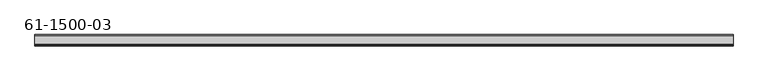
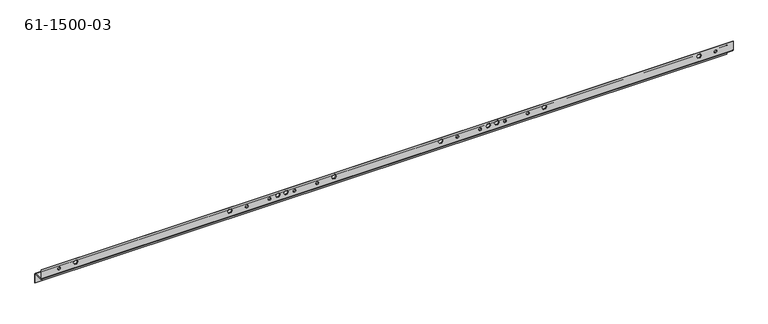
"""IFC4 building model written with IfcOpenShell, lengths in millimetres: proxy geometry, 61-1500-03."""

from ifc_helpers import new_model, si_unit, frame, origin, place, context, project, spatial, polyline, circle_curve, source, transform, mapped, element, save
from ifc_brep_helpers import plane_surface, cylinder_surface, revolved_surface, advanced_brep


def proxy_61_1500_03_b5fb0c9e(model_context):
    return source(origin(), model_context, "Body", "AdvancedBrep", [
        advanced_brep(
        [(588.6477613, -17.5096786, 14.40688), (588.6477613, -15.8967786, 14.40688), (582.2977613, -15.8967786, 14.40688), (582.2977613, -17.5096786, 14.40688), (1101.2908813, -17.5096786, 14.40688), (1101.2908813, -15.8967786, 14.40688), (1094.9408813, -15.8967786, 14.40688), (1094.9408813, -17.5096786, 14.40688), (1156.7340013, -17.5096786, 14.40688), (1156.7340013, -15.8967786, 14.40688), (1150.3840013, -15.8967786, 14.40688), (1150.3840013, -17.5096786, 14.40688), (644.0908813, -17.5096786, 14.40688), (644.0908813, -15.8967786, 14.40688), (637.7408813, -15.8967786, 14.40688), (637.7408813, -17.5096786, 14.40688), (528.0433613, -17.5096786, 14.40688), (528.0433613, -15.8967786, 14.40688), (521.6933613, -15.8967786, 14.40688), (521.6933613, -17.5096786, 14.40688), (985.2433613, -17.5096786, 14.40688), (985.2433613, -15.8967786, 14.40688), (978.8933613, -15.8967786, 14.40688), (978.8933613, -17.5096786, 14.40688), (1040.6864813, -17.5096786, 14.40688), (1040.6864813, -15.8967786, 14.40688), (1034.3364813, -15.8967786, 14.40688), (1034.3364813, -17.5096786, 14.40688), (472.6002413, -17.5096786, 14.40688), (472.6002413, -15.8967786, 14.40688), (466.2502413, -15.8967786, 14.40688), (466.2502413, -17.5096786, 14.40688), (15.4002413, -17.5096786, 14.40688), (15.4002413, -15.8967786, 14.40688), (9.0502413, -15.8967786, 14.40688), (9.0502413, -17.5096786, 14.40688), (1613.9340013, -17.5096786, 14.40688), (1613.9340013, -15.8967786, 14.40688), (1607.5840013, -15.8967786, 14.40688), (1607.5840013, -17.5096786, 14.40688), (-12.8514939, 8.4364214, -11.9107572), (-12.8514939, 10.0493214, -11.9107572), (-19.2014939, 10.0493214, -11.9107572), (-19.2014939, 8.4364214, -11.9107572), (52.6671214, 8.4364214, -10.57148), (52.6671214, 10.0493214, -10.57148), (46.3171214, 10.0493214, -10.57148), (46.3171214, 8.4364214, -10.57148), (1068.6671214, 8.4364214, -10.57148), (1068.6671214, 10.0493214, -10.57148), (1062.3171214, 10.0493214, -10.57148), (1062.3171214, 8.4364214, -10.57148), (1576.6671214, 8.4364214, -10.57148), (1576.6671214, 10.0493214, -10.57148), (1570.3171214, 10.0493214, -10.57148), (1570.3171214, 8.4364214, -10.57148), (560.6671214, 8.4364214, -10.57148), (560.6671214, 10.0493214, -10.57148), (554.3171214, 10.0493214, -10.57148), (554.3171214, 8.4364214, -10.57148), (1188.62608, -15.8967786, 16.5735), (1191.3757106, -15.8967786, 21.336), (1191.3757106, -17.5096786, 21.336), (1188.62608, -17.5096786, 16.5735), (1191.3757106, -15.8967786, 11.811), (1191.3757106, -17.5096786, 11.811), (1196.874972, -15.8967786, 11.811), (1196.874972, -17.5096786, 11.811), (1199.6246026, -15.8967786, 16.5735), (1199.6246026, -17.5096786, 16.5735), (1196.874972, -15.8967786, 21.336), (1196.874972, -17.5096786, 21.336), (1072.57856, -15.8967786, 16.5735), (1075.3281906, -15.8967786, 21.336), (1075.3281906, -17.5096786, 21.336), (1072.57856, -17.5096786, 16.5735), (1075.3281906, -15.8967786, 11.811), (1075.3281906, -17.5096786, 11.811), (1080.827452, -15.8967786, 11.811), (1080.827452, -17.5096786, 11.811), (1083.5770826, -15.8967786, 16.5735), (1083.5770826, -17.5096786, 16.5735), (1080.827452, -15.8967786, 21.336), (1080.827452, -17.5096786, 21.336), (1564.6933999, -15.8967786, 16.5735), (1567.4430306, -15.8967786, 21.336), (1567.4430306, -17.5096786, 21.336), (1564.6933999, -17.5096786, 16.5735), (1567.4430306, -15.8967786, 11.811), (1567.4430306, -17.5096786, 11.811), (1572.9422919, -15.8967786, 11.811), (1572.9422919, -17.5096786, 11.811), (1575.6919225, -15.8967786, 16.5735), (1575.6919225, -17.5096786, 16.5735), (1572.9422919, -15.8967786, 21.336), (1572.9422919, -17.5096786, 21.336), (1052.05028, -15.8967786, 16.5735), (1054.7999106, -15.8967786, 21.336), (1054.7999106, -17.5096786, 21.336), (1052.05028, -17.5096786, 16.5735), (1054.7999106, -15.8967786, 11.811), (1054.7999106, -17.5096786, 11.811), (1060.299172, -15.8967786, 11.811), (1060.299172, -17.5096786, 11.811), (1063.0488026, -15.8967786, 16.5735), (1063.0488026, -17.5096786, 16.5735), (1060.299172, -15.8967786, 21.336), (1060.299172, -17.5096786, 21.336), (936.00276, -15.8967786, 16.5735), (938.7523906, -15.8967786, 21.336), (938.7523906, -17.5096786, 21.336), (936.00276, -17.5096786, 16.5735), (938.7523906, -15.8967786, 11.811), (938.7523906, -17.5096786, 11.811), (944.2516519, -15.8967786, 11.811), (944.2516519, -17.5096786, 11.811), (947.0012826, -15.8967786, 16.5735), (947.0012826, -17.5096786, 16.5735), (944.2516519, -15.8967786, 21.336), (944.2516519, -17.5096786, 21.336), (539.40716, -15.8967786, 16.5735), (542.1567906, -15.8967786, 21.336), (542.1567906, -17.5096786, 21.336), (539.40716, -17.5096786, 16.5735), (542.1567906, -15.8967786, 11.811), (542.1567906, -17.5096786, 11.811), (547.6560519, -15.8967786, 11.811), (547.6560519, -17.5096786, 11.811), (550.4056826, -15.8967786, 16.5735), (550.4056826, -17.5096786, 16.5735), (547.6560519, -15.8967786, 21.336), (547.6560519, -17.5096786, 21.336), (47.29232, -15.8967786, 16.5735), (50.0419507, -15.8967786, 21.336), (50.0419507, -17.5096786, 21.336), (47.29232, -17.5096786, 16.5735), (50.0419507, -15.8967786, 11.811), (50.0419507, -17.5096786, 11.811), (55.541212, -15.8967786, 11.811), (55.541212, -17.5096786, 11.811), (58.2908427, -15.8967786, 16.5735), (58.2908427, -17.5096786, 16.5735), (55.541212, -15.8967786, 21.336), (55.541212, -17.5096786, 21.336), (559.93544, -15.8967786, 16.5735), (562.6850706, -15.8967786, 21.336), (562.6850706, -17.5096786, 21.336), (559.93544, -17.5096786, 16.5735), (562.6850706, -15.8967786, 11.811), (562.6850706, -17.5096786, 11.811), (568.1843319, -15.8967786, 11.811), (568.1843319, -17.5096786, 11.811), (570.9339626, -15.8967786, 16.5735), (570.9339626, -17.5096786, 16.5735), (568.1843319, -15.8967786, 21.336), (568.1843319, -17.5096786, 21.336), (423.35964, -15.8967786, 16.5735), (426.1092706, -15.8967786, 21.336), (426.1092706, -17.5096786, 21.336), (423.35964, -17.5096786, 16.5735), (426.1092706, -15.8967786, 11.811), (426.1092706, -17.5096786, 11.811), (431.6085319, -15.8967786, 11.811), (431.6085319, -17.5096786, 11.811), (434.3581626, -15.8967786, 16.5735), (434.3581626, -17.5096786, 16.5735), (431.6085319, -15.8967786, 21.336), (431.6085319, -17.5096786, 21.336), (675.98296, -15.8967786, 16.5735), (678.7325906, -15.8967786, 21.336), (678.7325906, -17.5096786, 21.336), (675.98296, -17.5096786, 16.5735), (678.7325906, -15.8967786, 11.811), (678.7325906, -17.5096786, 11.811), (684.231852, -15.8967786, 11.811), (684.231852, -17.5096786, 11.811), (686.9814826, -15.8967786, 16.5735), (686.9814826, -17.5096786, 16.5735), (684.231852, -15.8967786, 21.336), (684.231852, -17.5096786, 21.336), (1653.5021213, -17.5096786, 3.2258), (-30.5178787, -17.5096786, 3.2258), (-30.5178787, -14.2838786, 0.0), (1653.5021213, -14.2838786, 0.0), (-30.5178787, -15.8967786, 3.2258), (1653.5021213, -15.8967786, 3.2258), (1653.5021213, -14.2838786, 1.6129), (-30.5178787, -14.2838786, 1.6129), (1653.5021213, 6.8235214, 1.6129), (-30.5178787, 6.8235214, 1.6129), (1653.5021213, 10.0493214, -1.6129), (-30.5178787, 10.0493214, -1.6129), (-30.5178787, 8.4364214, -1.6129), (1653.5021213, 8.4364214, -1.6129), (1653.5021213, 6.8235214, 0.0), (-30.5178787, 6.8235214, 0.0), (1653.5021213, 10.0493214, -23.7871), (-30.5178787, 10.0493214, -23.7871), (1653.5021213, 8.4364214, -23.7871), (-30.5178787, 8.4364214, -23.7871), (-30.5178787, -17.5096786, 25.4), (-30.5178787, -15.8967786, 25.4), (1653.5021213, -17.5096786, 25.4), (1653.5021213, -15.8967786, 25.4)],
        [
            (0, 1),
            (1, 2, circle_curve(frame((585.4727613, -15.8967786, 14.40688), z_axis=(0.0, 1.0, 0.0), x_axis=(1.0, 0.0, 0.0)), 3.175)),
            (2, 3),
            (3, 0, circle_curve(frame((585.4727613, -17.5096786, 14.40688), z_axis=(0.0, -1.0, 0.0), x_axis=(1.0, 0.0, 0.0)), 3.175)),
            (4, 5),
            (5, 6, circle_curve(frame((1098.1158813, -15.8967786, 14.40688), z_axis=(0.0, 1.0, 0.0), x_axis=(1.0, 0.0, 0.0)), 3.175)),
            (6, 7),
            (7, 4, circle_curve(frame((1098.1158813, -17.5096786, 14.40688), z_axis=(0.0, -1.0, 0.0), x_axis=(1.0, 0.0, 0.0)), 3.175)),
            (8, 9),
            (9, 10, circle_curve(frame((1153.5590013, -15.8967786, 14.40688), z_axis=(0.0, 1.0, 0.0), x_axis=(1.0, 0.0, 0.0)), 3.175)),
            (10, 11),
            (11, 8, circle_curve(frame((1153.5590013, -17.5096786, 14.40688), z_axis=(0.0, -1.0, 0.0), x_axis=(1.0, 0.0, 0.0)), 3.175)),
            (12, 13),
            (13, 14, circle_curve(frame((640.9158813, -15.8967786, 14.40688), z_axis=(0.0, 1.0, 0.0), x_axis=(1.0, 0.0, 0.0)), 3.175)),
            (14, 15),
            (15, 12, circle_curve(frame((640.9158813, -17.5096786, 14.40688), z_axis=(0.0, -1.0, 0.0), x_axis=(1.0, 0.0, 0.0)), 3.175)),
            (16, 17),
            (17, 18, circle_curve(frame((524.8683613, -15.8967786, 14.40688), z_axis=(0.0, 1.0, 0.0), x_axis=(1.0, 0.0, 0.0)), 3.175)),
            (18, 19),
            (19, 16, circle_curve(frame((524.8683613, -17.5096786, 14.40688), z_axis=(0.0, -1.0, 0.0), x_axis=(1.0, 0.0, 0.0)), 3.175)),
            (20, 21),
            (21, 22, circle_curve(frame((982.0683613, -15.8967786, 14.40688), z_axis=(0.0, 1.0, 0.0), x_axis=(1.0, 0.0, 0.0)), 3.175)),
            (22, 23),
            (23, 20, circle_curve(frame((982.0683613, -17.5096786, 14.40688), z_axis=(0.0, -1.0, 0.0), x_axis=(1.0, 0.0, 0.0)), 3.175)),
            (24, 25),
            (25, 26, circle_curve(frame((1037.5114813, -15.8967786, 14.40688), z_axis=(0.0, 1.0, 0.0), x_axis=(1.0, 0.0, 0.0)), 3.175)),
            (26, 27),
            (27, 24, circle_curve(frame((1037.5114813, -17.5096786, 14.40688), z_axis=(0.0, -1.0, 0.0), x_axis=(1.0, 0.0, 0.0)), 3.175)),
            (28, 29),
            (29, 30, circle_curve(frame((469.4252413, -15.8967786, 14.40688), z_axis=(0.0, 1.0, 0.0), x_axis=(1.0, 0.0, 0.0)), 3.175)),
            (30, 31),
            (31, 28, circle_curve(frame((469.4252413, -17.5096786, 14.40688), z_axis=(0.0, -1.0, 0.0), x_axis=(1.0, 0.0, 0.0)), 3.175)),
            (32, 33),
            (33, 34, circle_curve(frame((12.2252413, -15.8967786, 14.40688), z_axis=(0.0, 1.0, 0.0), x_axis=(1.0, 0.0, 0.0)), 3.175)),
            (34, 35),
            (35, 32, circle_curve(frame((12.2252413, -17.5096786, 14.40688), z_axis=(0.0, -1.0, 0.0), x_axis=(1.0, 0.0, 0.0)), 3.175)),
            (36, 37),
            (37, 38, circle_curve(frame((1610.7590013, -15.8967786, 14.40688), z_axis=(0.0, 1.0, 0.0), x_axis=(1.0, 0.0, 0.0)), 3.175)),
            (38, 39),
            (39, 36, circle_curve(frame((1610.7590013, -17.5096786, 14.40688), z_axis=(0.0, -1.0, 0.0), x_axis=(1.0, 0.0, 0.0)), 3.175)),
            (40, 41),
            (41, 42, circle_curve(frame((-16.0264939, 10.0493214, -11.9107572), z_axis=(0.0, 1.0, 0.0), x_axis=(1.0, 0.0, 0.0)), 3.175)),
            (42, 43),
            (43, 40, circle_curve(frame((-16.0264939, 8.4364214, -11.9107572), z_axis=(0.0, -1.0, 0.0), x_axis=(1.0, 0.0, 0.0)), 3.175)),
            (44, 45),
            (45, 46, circle_curve(frame((49.4921214, 10.0493214, -10.57148), z_axis=(0.0, 1.0, 0.0), x_axis=(1.0, 0.0, 0.0)), 3.175)),
            (46, 47),
            (47, 44, circle_curve(frame((49.4921214, 8.4364214, -10.57148), z_axis=(0.0, -1.0, 0.0), x_axis=(1.0, 0.0, 0.0)), 3.175)),
            (48, 49),
            (49, 50, circle_curve(frame((1065.4921214, 10.0493214, -10.57148), z_axis=(0.0, 1.0, 0.0), x_axis=(1.0, 0.0, 0.0)), 3.175)),
            (50, 51),
            (51, 48, circle_curve(frame((1065.4921214, 8.4364214, -10.57148), z_axis=(0.0, -1.0, 0.0), x_axis=(1.0, 0.0, 0.0)), 3.175)),
            (52, 53),
            (53, 54, circle_curve(frame((1573.4921214, 10.0493214, -10.57148), z_axis=(0.0, 1.0, 0.0), x_axis=(1.0, 0.0, 0.0)), 3.175)),
            (54, 55),
            (55, 52, circle_curve(frame((1573.4921214, 8.4364214, -10.57148), z_axis=(0.0, -1.0, 0.0), x_axis=(1.0, 0.0, 0.0)), 3.175)),
            (56, 57),
            (57, 58, circle_curve(frame((557.4921214, 10.0493214, -10.57148), z_axis=(0.0, 1.0, 0.0), x_axis=(1.0, 0.0, 0.0)), 3.175)),
            (58, 59),
            (59, 56, circle_curve(frame((557.4921214, 8.4364214, -10.57148), z_axis=(0.0, -1.0, 0.0), x_axis=(1.0, 0.0, 0.0)), 3.175)),
            (60, 61),
            (61, 62),
            (62, 63),
            (63, 60),
            (64, 60),
            (63, 65),
            (65, 64),
            (66, 64),
            (65, 67),
            (67, 66),
            (68, 66),
            (67, 69),
            (69, 68),
            (70, 68),
            (69, 71),
            (71, 70),
            (61, 70),
            (71, 62),
            (72, 73),
            (73, 74),
            (74, 75),
            (75, 72),
            (76, 72),
            (75, 77),
            (77, 76),
            (78, 76),
            (77, 79),
            (79, 78),
            (80, 78),
            (79, 81),
            (81, 80),
            (82, 80),
            (81, 83),
            (83, 82),
            (73, 82),
            (83, 74),
            (84, 85),
            (85, 86),
            (86, 87),
            (87, 84),
            (88, 84),
            (87, 89),
            (89, 88),
            (90, 88),
            (89, 91),
            (91, 90),
            (92, 90),
            (91, 93),
            (93, 92),
            (94, 92),
            (93, 95),
            (95, 94),
            (85, 94),
            (95, 86),
            (96, 97),
            (97, 98),
            (98, 99),
            (99, 96),
            (100, 96),
            (99, 101),
            (101, 100),
            (102, 100),
            (101, 103),
            (103, 102),
            (104, 102),
            (103, 105),
            (105, 104),
            (106, 104),
            (105, 107),
            (107, 106),
            (97, 106),
            (107, 98),
            (108, 109),
            (109, 110),
            (110, 111),
            (111, 108),
            (112, 108),
            (111, 113),
            (113, 112),
            (114, 112),
            (113, 115),
            (115, 114),
            (116, 114),
            (115, 117),
            (117, 116),
            (118, 116),
            (117, 119),
            (119, 118),
            (109, 118),
            (119, 110),
            (120, 121),
            (121, 122),
            (122, 123),
            (123, 120),
            (124, 120),
            (123, 125),
            (125, 124),
            (126, 124),
            (125, 127),
            (127, 126),
            (128, 126),
            (127, 129),
            (129, 128),
            (130, 128),
            (129, 131),
            (131, 130),
            (121, 130),
            (131, 122),
            (132, 133),
            (133, 134),
            (134, 135),
            (135, 132),
            (136, 132),
            (135, 137),
            (137, 136),
            (138, 136),
            (137, 139),
            (139, 138),
            (140, 138),
            (139, 141),
            (141, 140),
            (142, 140),
            (141, 143),
            (143, 142),
            (133, 142),
            (143, 134),
            (144, 145),
            (145, 146),
            (146, 147),
            (147, 144),
            (148, 144),
            (147, 149),
            (149, 148),
            (150, 148),
            (149, 151),
            (151, 150),
            (152, 150),
            (151, 153),
            (153, 152),
            (154, 152),
            (153, 155),
            (155, 154),
            (145, 154),
            (155, 146),
            (156, 157),
            (157, 158),
            (158, 159),
            (159, 156),
            (160, 156),
            (159, 161),
            (161, 160),
            (162, 160),
            (161, 163),
            (163, 162),
            (164, 162),
            (163, 165),
            (165, 164),
            (166, 164),
            (165, 167),
            (167, 166),
            (157, 166),
            (167, 158),
            (168, 169),
            (169, 170),
            (170, 171),
            (171, 168),
            (172, 168),
            (171, 173),
            (173, 172),
            (174, 172),
            (173, 175),
            (175, 174),
            (176, 174),
            (175, 177),
            (177, 176),
            (178, 176),
            (177, 179),
            (179, 178),
            (169, 178),
            (179, 170),
            (56, 59, circle_curve(frame((557.4921214, 8.4364214, -10.57148), z_axis=(0.0, -1.0, 0.0), x_axis=(1.0, 0.0, 0.0)), 3.175)),
            (58, 57, circle_curve(frame((557.4921214, 10.0493214, -10.57148), z_axis=(0.0, 1.0, 0.0), x_axis=(1.0, 0.0, 0.0)), 3.175)),
            (52, 55, circle_curve(frame((1573.4921214, 8.4364214, -10.57148), z_axis=(0.0, -1.0, 0.0), x_axis=(1.0, 0.0, 0.0)), 3.175)),
            (54, 53, circle_curve(frame((1573.4921214, 10.0493214, -10.57148), z_axis=(0.0, 1.0, 0.0), x_axis=(1.0, 0.0, 0.0)), 3.175)),
            (48, 51, circle_curve(frame((1065.4921214, 8.4364214, -10.57148), z_axis=(0.0, -1.0, 0.0), x_axis=(1.0, 0.0, 0.0)), 3.175)),
            (50, 49, circle_curve(frame((1065.4921214, 10.0493214, -10.57148), z_axis=(0.0, 1.0, 0.0), x_axis=(1.0, 0.0, 0.0)), 3.175)),
            (44, 47, circle_curve(frame((49.4921214, 8.4364214, -10.57148), z_axis=(0.0, -1.0, 0.0), x_axis=(1.0, 0.0, 0.0)), 3.175)),
            (46, 45, circle_curve(frame((49.4921214, 10.0493214, -10.57148), z_axis=(0.0, 1.0, 0.0), x_axis=(1.0, 0.0, 0.0)), 3.175)),
            (40, 43, circle_curve(frame((-16.0264939, 8.4364214, -11.9107572), z_axis=(0.0, -1.0, 0.0), x_axis=(1.0, 0.0, 0.0)), 3.175)),
            (42, 41, circle_curve(frame((-16.0264939, 10.0493214, -11.9107572), z_axis=(0.0, 1.0, 0.0), x_axis=(1.0, 0.0, 0.0)), 3.175)),
            (36, 39, circle_curve(frame((1610.7590013, -17.5096786, 14.40688), z_axis=(0.0, -1.0, 0.0), x_axis=(1.0, 0.0, 0.0)), 3.175)),
            (38, 37, circle_curve(frame((1610.7590013, -15.8967786, 14.40688), z_axis=(0.0, 1.0, 0.0), x_axis=(1.0, 0.0, 0.0)), 3.175)),
            (32, 35, circle_curve(frame((12.2252413, -17.5096786, 14.40688), z_axis=(0.0, -1.0, 0.0), x_axis=(1.0, 0.0, 0.0)), 3.175)),
            (34, 33, circle_curve(frame((12.2252413, -15.8967786, 14.40688), z_axis=(0.0, 1.0, 0.0), x_axis=(1.0, 0.0, 0.0)), 3.175)),
            (28, 31, circle_curve(frame((469.4252413, -17.5096786, 14.40688), z_axis=(0.0, -1.0, 0.0), x_axis=(1.0, 0.0, 0.0)), 3.175)),
            (30, 29, circle_curve(frame((469.4252413, -15.8967786, 14.40688), z_axis=(0.0, 1.0, 0.0), x_axis=(1.0, 0.0, 0.0)), 3.175)),
            (24, 27, circle_curve(frame((1037.5114813, -17.5096786, 14.40688), z_axis=(0.0, -1.0, 0.0), x_axis=(1.0, 0.0, 0.0)), 3.175)),
            (26, 25, circle_curve(frame((1037.5114813, -15.8967786, 14.40688), z_axis=(0.0, 1.0, 0.0), x_axis=(1.0, 0.0, 0.0)), 3.175)),
            (20, 23, circle_curve(frame((982.0683613, -17.5096786, 14.40688), z_axis=(0.0, -1.0, 0.0), x_axis=(1.0, 0.0, 0.0)), 3.175)),
            (22, 21, circle_curve(frame((982.0683613, -15.8967786, 14.40688), z_axis=(0.0, 1.0, 0.0), x_axis=(1.0, 0.0, 0.0)), 3.175)),
            (16, 19, circle_curve(frame((524.8683613, -17.5096786, 14.40688), z_axis=(0.0, -1.0, 0.0), x_axis=(1.0, 0.0, 0.0)), 3.175)),
            (18, 17, circle_curve(frame((524.8683613, -15.8967786, 14.40688), z_axis=(0.0, 1.0, 0.0), x_axis=(1.0, 0.0, 0.0)), 3.175)),
            (12, 15, circle_curve(frame((640.9158813, -17.5096786, 14.40688), z_axis=(0.0, -1.0, 0.0), x_axis=(1.0, 0.0, 0.0)), 3.175)),
            (14, 13, circle_curve(frame((640.9158813, -15.8967786, 14.40688), z_axis=(0.0, 1.0, 0.0), x_axis=(1.0, 0.0, 0.0)), 3.175)),
            (8, 11, circle_curve(frame((1153.5590013, -17.5096786, 14.40688), z_axis=(0.0, -1.0, 0.0), x_axis=(1.0, 0.0, 0.0)), 3.175)),
            (10, 9, circle_curve(frame((1153.5590013, -15.8967786, 14.40688), z_axis=(0.0, 1.0, 0.0), x_axis=(1.0, 0.0, 0.0)), 3.175)),
            (4, 7, circle_curve(frame((1098.1158813, -17.5096786, 14.40688), z_axis=(0.0, -1.0, 0.0), x_axis=(1.0, 0.0, 0.0)), 3.175)),
            (6, 5, circle_curve(frame((1098.1158813, -15.8967786, 14.40688), z_axis=(0.0, 1.0, 0.0), x_axis=(1.0, 0.0, 0.0)), 3.175)),
            (0, 3, circle_curve(frame((585.4727613, -17.5096786, 14.40688), z_axis=(0.0, -1.0, 0.0), x_axis=(1.0, 0.0, 0.0)), 3.175)),
            (2, 1, circle_curve(frame((585.4727613, -15.8967786, 14.40688), z_axis=(0.0, 1.0, 0.0), x_axis=(1.0, 0.0, 0.0)), 3.175)),
            (180, 181),
            (181, 182, circle_curve(frame((-30.5178787, -14.2838786, 3.2258), z_axis=(1.0, 0.0, 0.0), x_axis=(0.0, 0.0, -1.0)), 3.2258)),
            (182, 183),
            (183, 180, circle_curve(frame((1653.5021213, -14.2838786, 3.2258), z_axis=(-1.0, 0.0, 0.0), x_axis=(0.0, 0.0, -1.0)), 3.2258)),
            (184, 185),
            (185, 186, circle_curve(frame((1653.5021213, -14.2838786, 3.2258), z_axis=(1.0, 0.0, 0.0), x_axis=(0.0, 0.0, -1.0)), 1.6129)),
            (186, 187),
            (187, 184, circle_curve(frame((-30.5178787, -14.2838786, 3.2258), z_axis=(-1.0, 0.0, 0.0), x_axis=(0.0, 0.0, -1.0)), 1.6129)),
            (186, 188),
            (188, 189),
            (189, 187),
            (190, 191),
            (191, 189, circle_curve(frame((-30.5178787, 6.8235214, -1.6129), z_axis=(1.0, 0.0, 0.0), x_axis=(0.0, 0.0, 1.0)), 3.2258)),
            (188, 190, circle_curve(frame((1653.5021213, 6.8235214, -1.6129), z_axis=(-1.0, 0.0, 0.0), x_axis=(0.0, 0.0, 1.0)), 3.2258)),
            (192, 193),
            (193, 194, circle_curve(frame((1653.5021213, 6.8235214, -1.6129), z_axis=(1.0, 0.0, 0.0), x_axis=(0.0, 0.0, 1.0)), 1.6129)),
            (194, 195),
            (195, 192, circle_curve(frame((-30.5178787, 6.8235214, -1.6129), z_axis=(-1.0, 0.0, 0.0), x_axis=(0.0, 0.0, 1.0)), 1.6129)),
            (182, 195),
            (194, 183),
            (190, 196),
            (196, 197),
            (197, 191),
            (198, 199),
            (199, 197),
            (196, 198),
            (192, 199),
            (198, 193),
            (181, 200),
            (200, 201),
            (201, 184),
            (180, 202),
            (202, 200),
            (185, 203),
            (203, 202),
            (203, 201),
        ],
        [
            revolved_surface(polyline([(588.6477613, -15.8967786, 14.40688), (588.6477613, -17.5096786, 14.40688)]), (585.4727613, -25.4217786, 14.40688), (0.0, 1.0, 0.0)),
            revolved_surface(polyline([(1101.2908813, -15.8967786, 14.40688), (1101.2908813, -17.5096786, 14.40688)]), (1098.1158813, -25.4217786, 14.40688), (0.0, 1.0, 0.0)),
            revolved_surface(polyline([(1156.7340013, -15.8967786, 14.40688), (1156.7340013, -17.5096786, 14.40688)]), (1153.5590013, -25.4217786, 14.40688), (0.0, 1.0, 0.0)),
            revolved_surface(polyline([(644.0908813, -15.8967786, 14.40688), (644.0908813, -17.5096786, 14.40688)]), (640.9158813, -25.4217786, 14.40688), (0.0, 1.0, 0.0)),
            revolved_surface(polyline([(528.0433612999999, -15.8967786, 14.40688), (528.0433612999999, -17.5096786, 14.40688)]), (524.8683613, -25.4217786, 14.40688), (0.0, 1.0, 0.0)),
            revolved_surface(polyline([(985.2433613, -15.8967786, 14.40688), (985.2433613, -17.5096786, 14.40688)]), (982.0683613, -25.4217786, 14.40688), (0.0, 1.0, 0.0)),
            revolved_surface(polyline([(1040.6864813, -15.8967786, 14.40688), (1040.6864813, -17.5096786, 14.40688)]), (1037.5114813, -25.4217786, 14.40688), (0.0, 1.0, 0.0)),
            revolved_surface(polyline([(472.6002413, -15.8967786, 14.40688), (472.6002413, -17.5096786, 14.40688)]), (469.4252413, -25.4217786, 14.40688), (0.0, 1.0, 0.0)),
            revolved_surface(polyline([(15.400241300000001, -15.8967786, 14.40688), (15.400241300000001, -17.5096786, 14.40688)]), (12.2252413, -25.4217786, 14.40688), (0.0, 1.0, 0.0)),
            revolved_surface(polyline([(1613.9340012999999, -15.8967786, 14.40688), (1613.9340012999999, -17.5096786, 14.40688)]), (1610.7590013, -25.4217786, 14.40688), (0.0, 1.0, 0.0)),
            revolved_surface(polyline([(-12.851493899999998, 10.0493214, -11.9107572), (-12.851493899999998, 8.4364214, -11.9107572)]), (-16.0264939, 0.5243214, -11.9107572), (0.0, 1.0, 0.0)),
            revolved_surface(polyline([(52.6671214, 10.0493214, -10.57148), (52.6671214, 8.4364214, -10.57148)]), (49.4921214, 0.5243214, -10.57148), (0.0, 1.0, 0.0)),
            revolved_surface(polyline([(1068.6671214, 10.0493214, -10.57148), (1068.6671214, 8.4364214, -10.57148)]), (1065.4921214, 0.5243214, -10.57148), (0.0, 1.0, 0.0)),
            revolved_surface(polyline([(1576.6671214, 10.0493214, -10.57148), (1576.6671214, 8.4364214, -10.57148)]), (1573.4921214, 0.5243214, -10.57148), (0.0, 1.0, 0.0)),
            revolved_surface(polyline([(560.6671213999999, 10.0493214, -10.57148), (560.6671213999999, 8.4364214, -10.57148)]), (557.4921214, 0.5243214, -10.57148), (0.0, 1.0, 0.0)),
            plane_surface(frame((1191.3757106, -17.5096786, 21.336), z_axis=(0.8660254037844393, 0.0, -0.49999999999999906), x_axis=(0.49999999999999906, 0.0, 0.8660254037844393))),
            plane_surface(frame((1188.62608, -17.5096786, 16.5735), z_axis=(0.8660254037844388, 0.0, 0.49999999999999967), x_axis=(-0.49999999999999967, 0.0, 0.8660254037844388))),
            plane_surface(frame((1191.3757106, -17.5096786, 11.811), z_axis=(0.0, 0.0, 1.0), x_axis=(-1.0, 0.0, 0.0))),
            plane_surface(frame((1196.874972, -17.5096786, 11.811), z_axis=(-0.8660254037844392, 0.0, 0.4999999999999993), x_axis=(-0.4999999999999993, 0.0, -0.8660254037844392))),
            plane_surface(frame((1199.6246026, -17.5096786, 16.5735), z_axis=(-0.8660254037844389, 0.0, -0.49999999999999956), x_axis=(0.49999999999999956, 0.0, -0.8660254037844389))),
            plane_surface(frame((1194.1253413, -17.5096786, 21.336), z_axis=(0.0, 0.0, -1.0), x_axis=(1.0, 0.0, 0.0))),
            plane_surface(frame((1075.3281906, -17.5096786, 21.336), z_axis=(0.8660254037844315, 0.0, -0.5000000000000125), x_axis=(0.5000000000000125, 0.0, 0.8660254037844315))),
            plane_surface(frame((1072.57856, -17.5096786, 16.5735), z_axis=(0.8660254037844463, 0.0, 0.4999999999999869), x_axis=(-0.4999999999999869, 0.0, 0.8660254037844463))),
            plane_surface(frame((1075.3281906, -17.5096786, 11.811), z_axis=(0.0, 0.0, 1.0), x_axis=(-1.0, 0.0, 0.0))),
            plane_surface(frame((1080.827452, -17.5096786, 11.811), z_axis=(-0.8660254037844315, 0.0, 0.5000000000000124), x_axis=(-0.5000000000000124, 0.0, -0.8660254037844315))),
            plane_surface(frame((1083.5770826, -17.5096786, 16.5735), z_axis=(-0.8660254037844463, 0.0, -0.499999999999987), x_axis=(0.499999999999987, 0.0, -0.8660254037844463))),
            plane_surface(frame((1078.0778213, -17.5096786, 21.336), z_axis=(0.0, 0.0, -1.0), x_axis=(1.0, 0.0, 0.0))),
            plane_surface(frame((1567.4430306, -17.5096786, 21.336), z_axis=(0.8660254037844172, 0.0, -0.5000000000000374), x_axis=(0.5000000000000374, 0.0, 0.8660254037844172))),
            plane_surface(frame((1564.6933999, -17.5096786, 16.5735), z_axis=(0.8660254037844501, 0.0, 0.49999999999998007), x_axis=(-0.49999999999998007, 0.0, 0.8660254037844501))),
            plane_surface(frame((1567.4430306, -17.5096786, 11.811), z_axis=(0.0, 0.0, 1.0), x_axis=(-1.0, 0.0, 0.0))),
            plane_surface(frame((1572.9422919, -17.5096786, 11.811), z_axis=(-0.8660254037844172, 0.0, 0.5000000000000374), x_axis=(-0.5000000000000374, 0.0, -0.8660254037844172))),
            plane_surface(frame((1575.6919225, -17.5096786, 16.5735), z_axis=(-0.8660254037844501, 0.0, -0.49999999999998007), x_axis=(0.49999999999998007, 0.0, -0.8660254037844501))),
            plane_surface(frame((1570.1926612, -17.5096786, 21.336), z_axis=(0.0, 0.0, -1.0), x_axis=(1.0, 0.0, 0.0))),
            plane_surface(frame((1054.7999106, -17.5096786, 21.336), z_axis=(0.8660254037844338, 0.0, -0.5000000000000083), x_axis=(0.5000000000000083, 0.0, 0.8660254037844338))),
            plane_surface(frame((1052.05028, -17.5096786, 16.5735), z_axis=(0.8660254037844474, 0.0, 0.49999999999998496), x_axis=(-0.49999999999998496, 0.0, 0.8660254037844474))),
            plane_surface(frame((1054.7999106, -17.5096786, 11.811), z_axis=(0.0, 0.0, 1.0), x_axis=(-1.0, 0.0, 0.0))),
            plane_surface(frame((1060.299172, -17.5096786, 11.811), z_axis=(-0.8660254037844338, 0.0, 0.5000000000000084), x_axis=(-0.5000000000000084, 0.0, -0.8660254037844338))),
            plane_surface(frame((1063.0488026, -17.5096786, 16.5735), z_axis=(-0.8660254037844474, 0.0, -0.4999999999999849), x_axis=(0.4999999999999849, 0.0, -0.8660254037844474))),
            plane_surface(frame((1057.5495413, -17.5096786, 21.336), z_axis=(0.0, 0.0, -1.0), x_axis=(1.0, 0.0, 0.0))),
            plane_surface(frame((938.7523906, -17.5096786, 21.336), z_axis=(0.8660254037844354, 0.0, -0.5000000000000057), x_axis=(0.5000000000000057, 0.0, 0.8660254037844354))),
            plane_surface(frame((936.00276, -17.5096786, 16.5735), z_axis=(0.8660254037844368, 0.0, 0.5000000000000031), x_axis=(-0.5000000000000031, 0.0, 0.8660254037844368))),
            plane_surface(frame((938.7523906, -17.5096786, 11.811), z_axis=(0.0, 0.0, 1.0), x_axis=(-1.0, 0.0, 0.0))),
            plane_surface(frame((944.2516519, -17.5096786, 11.811), z_axis=(-0.8660254037844354, 0.0, 0.5000000000000058), x_axis=(-0.5000000000000058, 0.0, -0.8660254037844354))),
            plane_surface(frame((947.0012826, -17.5096786, 16.5735), z_axis=(-0.866025403784437, 0.0, -0.500000000000003), x_axis=(0.500000000000003, 0.0, -0.866025403784437))),
            plane_surface(frame((941.5020213, -17.5096786, 21.336), z_axis=(0.0, 0.0, -1.0), x_axis=(1.0, 0.0, 0.0))),
            plane_surface(frame((542.1567906, -17.5096786, 21.336), z_axis=(0.8660254037844459, 0.0, -0.4999999999999874), x_axis=(0.4999999999999874, 0.0, 0.8660254037844459))),
            plane_surface(frame((539.40716, -17.5096786, 16.5735), z_axis=(0.8660254037844394, 0.0, 0.4999999999999987), x_axis=(-0.4999999999999987, 0.0, 0.8660254037844394))),
            plane_surface(frame((542.1567906, -17.5096786, 11.811), z_axis=(0.0, 0.0, 1.0), x_axis=(-1.0, 0.0, 0.0))),
            plane_surface(frame((547.6560519, -17.5096786, 11.811), z_axis=(-0.8660254037844405, 0.0, 0.49999999999999695), x_axis=(-0.49999999999999695, 0.0, -0.8660254037844405))),
            plane_surface(frame((550.4056826, -17.5096786, 16.5735), z_axis=(-0.8660254037844395, 0.0, -0.4999999999999986), x_axis=(0.4999999999999986, 0.0, -0.8660254037844395))),
            plane_surface(frame((544.9064213, -17.5096786, 21.336), z_axis=(0.0, 0.0, -1.0), x_axis=(1.0, 0.0, 0.0))),
            plane_surface(frame((50.0419507, -17.5096786, 21.336), z_axis=(0.8660254037844387, 0.0, -0.5000000000000001), x_axis=(0.5000000000000001, 0.0, 0.8660254037844387))),
            plane_surface(frame((47.29232, -17.5096786, 16.5735), z_axis=(0.8660254037844385, 0.0, 0.5000000000000003), x_axis=(-0.5000000000000003, 0.0, 0.8660254037844385))),
            plane_surface(frame((50.0419507, -17.5096786, 11.811), z_axis=(0.0, 0.0, 1.0), x_axis=(-1.0, 0.0, 0.0))),
            plane_surface(frame((55.541212, -17.5096786, 11.811), z_axis=(-0.8660254037844387, 0.0, 0.4999999999999999), x_axis=(-0.4999999999999999, 0.0, -0.8660254037844387))),
            plane_surface(frame((58.2908427, -17.5096786, 16.5735), z_axis=(-0.8660254037844387, 0.0, -0.5000000000000001), x_axis=(0.5000000000000001, 0.0, -0.8660254037844387))),
            plane_surface(frame((52.7915814, -17.5096786, 21.336), z_axis=(0.0, 0.0, -1.0), x_axis=(1.0, 0.0, 0.0))),
            plane_surface(frame((562.6850706, -17.5096786, 21.336), z_axis=(0.8660254037844358, 0.0, -0.5000000000000049), x_axis=(0.5000000000000049, 0.0, 0.8660254037844358))),
            plane_surface(frame((559.93544, -17.5096786, 16.5735), z_axis=(0.8660254037844428, 0.0, 0.49999999999999295), x_axis=(-0.49999999999999295, 0.0, 0.8660254037844428))),
            plane_surface(frame((562.6850706, -17.5096786, 11.811), z_axis=(0.0, 0.0, 1.0), x_axis=(-1.0, 0.0, 0.0))),
            plane_surface(frame((568.1843319, -17.5096786, 11.811), z_axis=(-0.8660254037844358, 0.0, 0.5000000000000049), x_axis=(-0.5000000000000049, 0.0, -0.8660254037844358))),
            plane_surface(frame((570.9339626, -17.5096786, 16.5735), z_axis=(-0.8660254037844428, 0.0, -0.49999999999999284), x_axis=(0.49999999999999284, 0.0, -0.8660254037844428))),
            plane_surface(frame((565.4347013, -17.5096786, 21.336), z_axis=(0.0, 0.0, -1.0), x_axis=(1.0, 0.0, 0.0))),
            plane_surface(frame((426.1092706, -17.5096786, 21.336), z_axis=(0.8660254037844359, 0.0, -0.5000000000000048), x_axis=(0.5000000000000048, 0.0, 0.8660254037844359))),
            plane_surface(frame((423.35964, -17.5096786, 16.5735), z_axis=(0.8660254037844429, 0.0, 0.4999999999999926), x_axis=(-0.4999999999999926, 0.0, 0.8660254037844429))),
            plane_surface(frame((426.1092706, -17.5096786, 11.811), z_axis=(0.0, 0.0, 1.0), x_axis=(-1.0, 0.0, 0.0))),
            plane_surface(frame((431.6085319, -17.5096786, 11.811), z_axis=(-0.866025403784436, 0.0, 0.5000000000000046), x_axis=(-0.5000000000000046, 0.0, -0.866025403784436))),
            plane_surface(frame((434.3581626, -17.5096786, 16.5735), z_axis=(-0.8660254037844429, 0.0, -0.49999999999999273), x_axis=(0.49999999999999273, 0.0, -0.8660254037844429))),
            plane_surface(frame((428.8589013, -17.5096786, 21.336), z_axis=(0.0, 0.0, -1.0), x_axis=(1.0, 0.0, 0.0))),
            plane_surface(frame((678.7325906, -17.5096786, 21.336), z_axis=(0.8660254037844289, 0.0, -0.500000000000017), x_axis=(0.500000000000017, 0.0, 0.8660254037844289))),
            plane_surface(frame((675.98296, -17.5096786, 16.5735), z_axis=(0.8660254037844449, 0.0, 0.4999999999999891), x_axis=(-0.4999999999999891, 0.0, 0.8660254037844449))),
            plane_surface(frame((678.7325906, -17.5096786, 11.811), z_axis=(0.0, 0.0, 1.0), x_axis=(-1.0, 0.0, 0.0))),
            plane_surface(frame((684.231852, -17.5096786, 11.811), z_axis=(-0.8660254037844289, 0.0, 0.500000000000017), x_axis=(-0.500000000000017, 0.0, -0.8660254037844289))),
            plane_surface(frame((686.9814826, -17.5096786, 16.5735), z_axis=(-0.8660254037844449, 0.0, -0.4999999999999891), x_axis=(0.4999999999999891, 0.0, -0.8660254037844449))),
            plane_surface(frame((681.4822213, -17.5096786, 21.336), z_axis=(0.0, 0.0, -1.0), x_axis=(1.0, 0.0, 0.0))),
            cylinder_surface(frame((811.4921213, -14.2838786, 3.2258), z_axis=(-1.0, 0.0, 0.0), x_axis=(0.0, 0.0, -1.0)), 3.2258),
            revolved_surface(polyline([(-30.517878699999983, -14.2838786, 1.6129), (1653.5021213, -14.2838786, 1.6129)]), (811.4921213, -14.2838786, 3.2258), (-1.0, 0.0, 0.0)),
            plane_surface(frame((811.4921213, -3.7301786, 1.6129), z_axis=(0.0, 0.0, 1.0), x_axis=(1.0, 0.0, 0.0))),
            cylinder_surface(frame((811.4921213, 6.8235214, -1.6129), z_axis=(-1.0, 0.0, 0.0), x_axis=(0.0, 0.0, 1.0)), 3.2258),
            revolved_surface(polyline([(-30.517878699999983, 6.8235214, 0.0), (1653.5021213, 6.8235214, 0.0)]), (811.4921213, 6.8235214, -1.6129), (-1.0, 0.0, 0.0)),
            plane_surface(frame((811.4921213, -3.7301786, 0.0), z_axis=(0.0, 0.0, -1.0), x_axis=(1.0, 0.0, 0.0))),
            plane_surface(frame((811.4921213, 10.0493214, -11.0871), z_axis=(0.0, 1.0, 0.0), x_axis=(0.0, 0.0, 1.0))),
            plane_surface(frame((1653.5021213, 10.0493214, -23.7871), z_axis=(0.0, 0.0, -1.0), x_axis=(-1.0, 0.0, 0.0))),
            plane_surface(frame((811.4921213, 8.4364214, -11.0871), z_axis=(0.0, -1.0, 0.0), x_axis=(0.0, 0.0, 1.0))),
            plane_surface(frame((-30.5178787, -17.5096786, 25.4), z_axis=(-1.0, 0.0, 0.0), x_axis=(0.0, 0.0, 1.0))),
            plane_surface(frame((811.4921213, -17.5096786, 12.7), z_axis=(0.0, -1.0, 0.0), x_axis=(0.0, 0.0, 1.0))),
            plane_surface(frame((1653.5021213, -17.5096786, 0.0), z_axis=(1.0, 0.0, 0.0), x_axis=(0.0, 0.0, -1.0))),
            plane_surface(frame((1653.5021213, -17.5096786, 25.4), z_axis=(0.0, 0.0, 1.0), x_axis=(1.0, 0.0, 0.0))),
            plane_surface(frame((811.4921213, -15.8967786, 12.7), z_axis=(0.0, 1.0, 0.0), x_axis=(0.0, 0.0, 1.0))),
        ],
        [
            (0, [[1, 2, 3, 4]]),
            (1, [[5, 6, 7, 8]]),
            (2, [[9, 10, 11, 12]]),
            (3, [[13, 14, 15, 16]]),
            (4, [[17, 18, 19, 20]]),
            (5, [[21, 22, 23, 24]]),
            (6, [[25, 26, 27, 28]]),
            (7, [[29, 30, 31, 32]]),
            (8, [[33, 34, 35, 36]]),
            (9, [[37, 38, 39, 40]]),
            (10, [[41, 42, 43, 44]]),
            (11, [[45, 46, 47, 48]]),
            (12, [[49, 50, 51, 52]]),
            (13, [[53, 54, 55, 56]]),
            (14, [[57, 58, 59, 60]]),
            (15, [[61, 62, 63, 64]]),
            (16, [[65, -64, 66, 67]]),
            (17, [[68, -67, 69, 70]]),
            (18, [[71, -70, 72, 73]]),
            (19, [[74, -73, 75, 76]]),
            (20, [[77, -76, 78, -62]]),
            (21, [[79, 80, 81, 82]]),
            (22, [[83, -82, 84, 85]]),
            (23, [[86, -85, 87, 88]]),
            (24, [[89, -88, 90, 91]]),
            (25, [[92, -91, 93, 94]]),
            (26, [[95, -94, 96, -80]]),
            (27, [[97, 98, 99, 100]]),
            (28, [[101, -100, 102, 103]]),
            (29, [[104, -103, 105, 106]]),
            (30, [[107, -106, 108, 109]]),
            (31, [[110, -109, 111, 112]]),
            (32, [[113, -112, 114, -98]]),
            (33, [[115, 116, 117, 118]]),
            (34, [[119, -118, 120, 121]]),
            (35, [[122, -121, 123, 124]]),
            (36, [[125, -124, 126, 127]]),
            (37, [[128, -127, 129, 130]]),
            (38, [[131, -130, 132, -116]]),
            (39, [[133, 134, 135, 136]]),
            (40, [[137, -136, 138, 139]]),
            (41, [[140, -139, 141, 142]]),
            (42, [[143, -142, 144, 145]]),
            (43, [[146, -145, 147, 148]]),
            (44, [[149, -148, 150, -134]]),
            (45, [[151, 152, 153, 154]]),
            (46, [[155, -154, 156, 157]]),
            (47, [[158, -157, 159, 160]]),
            (48, [[161, -160, 162, 163]]),
            (49, [[164, -163, 165, 166]]),
            (50, [[167, -166, 168, -152]]),
            (51, [[169, 170, 171, 172]]),
            (52, [[173, -172, 174, 175]]),
            (53, [[176, -175, 177, 178]]),
            (54, [[179, -178, 180, 181]]),
            (55, [[182, -181, 183, 184]]),
            (56, [[185, -184, 186, -170]]),
            (57, [[187, 188, 189, 190]]),
            (58, [[191, -190, 192, 193]]),
            (59, [[194, -193, 195, 196]]),
            (60, [[197, -196, 198, 199]]),
            (61, [[200, -199, 201, 202]]),
            (62, [[203, -202, 204, -188]]),
            (63, [[205, 206, 207, 208]]),
            (64, [[209, -208, 210, 211]]),
            (65, [[212, -211, 213, 214]]),
            (66, [[215, -214, 216, 217]]),
            (67, [[218, -217, 219, 220]]),
            (68, [[221, -220, 222, -206]]),
            (69, [[223, 224, 225, 226]]),
            (70, [[227, -226, 228, 229]]),
            (71, [[230, -229, 231, 232]]),
            (72, [[233, -232, 234, 235]]),
            (73, [[236, -235, 237, 238]]),
            (74, [[239, -238, 240, -224]]),
            (14, [[-57, 241, -59, 242]]),
            (13, [[-53, 243, -55, 244]]),
            (12, [[-49, 245, -51, 246]]),
            (11, [[-45, 247, -47, 248]]),
            (10, [[-41, 249, -43, 250]]),
            (9, [[-37, 251, -39, 252]]),
            (8, [[-33, 253, -35, 254]]),
            (7, [[-29, 255, -31, 256]]),
            (6, [[-25, 257, -27, 258]]),
            (5, [[-21, 259, -23, 260]]),
            (4, [[-17, 261, -19, 262]]),
            (3, [[-13, 263, -15, 264]]),
            (2, [[-9, 265, -11, 266]]),
            (1, [[-5, 267, -7, 268]]),
            (0, [[-1, 269, -3, 270]]),
            (75, [[271, 272, 273, 274]]),
            (76, [[275, 276, 277, 278]]),
            (77, [[-277, 279, 280, 281]]),
            (78, [[282, 283, -280, 284]]),
            (79, [[285, 286, 287, 288]]),
            (80, [[-273, 289, -287, 290]]),
            (81, [[-282, 291, 292, 293], [-242, -58], [-244, -54], [-246, -50], [-248, -46], [-250, -42]]),
            (82, [[294, 295, -292, 296]]),
            (83, [[-285, 297, -294, 298], [-241, -60], [-243, -56], [-245, -52], [-247, -48], [-249, -44]]),
            (84, [[299, 300, 301, -278, -281, -283, -293, -295, -297, -288, -289, -272]]),
            (85, [[-271, 302, 303, -299], [-63, -78, -75, -72, -69, -66], [-81, -96, -93, -90, -87, -84], [-99, -114, -111, -108, -105, -102], [-117, -132, -129, -126, -123, -120], [-135, -150, -147, -144, -141, -138], [-153, -168, -165, -162, -159, -156], [-171, -186, -183, -180, -177, -174], [-189, -204, -201, -198, -195, -192], [-207, -222, -219, -216, -213, -210], [-225, -240, -237, -234, -231, -228], [-251, -40], [-253, -36], [-255, -32], [-257, -28], [-259, -24], [-261, -20], [-263, -16], [-265, -12], [-267, -8], [-269, -4]]),
            (86, [[304, 305, -302, -274, -290, -286, -298, -296, -291, -284, -279, -276]]),
            (87, [[306, -300, -303, -305]]),
            (88, [[-275, -301, -306, -304], [-61, -65, -68, -71, -74, -77], [-79, -83, -86, -89, -92, -95], [-97, -101, -104, -107, -110, -113], [-115, -119, -122, -125, -128, -131], [-133, -137, -140, -143, -146, -149], [-151, -155, -158, -161, -164, -167], [-169, -173, -176, -179, -182, -185], [-187, -191, -194, -197, -200, -203], [-205, -209, -212, -215, -218, -221], [-223, -227, -230, -233, -236, -239], [-252, -38], [-254, -34], [-256, -30], [-258, -26], [-260, -22], [-262, -18], [-264, -14], [-266, -10], [-268, -6], [-270, -2]]),
        ],
    ),
    ])


if __name__ == "__main__":
    model = new_model("IFC4")
    model_context = context("Model", 3, world=origin())
    ifc_project = project(units=[si_unit("LENGTHUNIT", "METRE", prefix="MILLI")], contexts=[model_context])
    site = spatial("IfcSite", under=ifc_project)
    building = spatial("IfcBuilding", under=site)
    placement = place(None, origin())
    proxy_61_1500_03_shape = proxy_61_1500_03_b5fb0c9e(model_context)
    element("IfcBuildingElementProxy", 1, Name="61-1500-03", ObjectType="61-1500-03", at=placement, inside=building, context=model_context, shape_type="MappedRepresentation", body=[
        mapped(proxy_61_1500_03_shape, transform((0.0, 0.0, 0.0), x_axis=(1.0, 0.0, 0.0), y_axis=(0.0, 1.0, 0.0), z_axis=(0.0, 0.0, 1.0))),
    ])
    save(model, "model.ifc")
